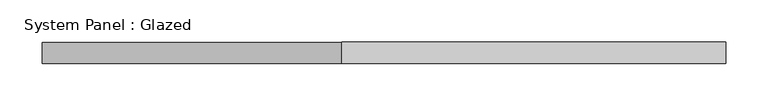
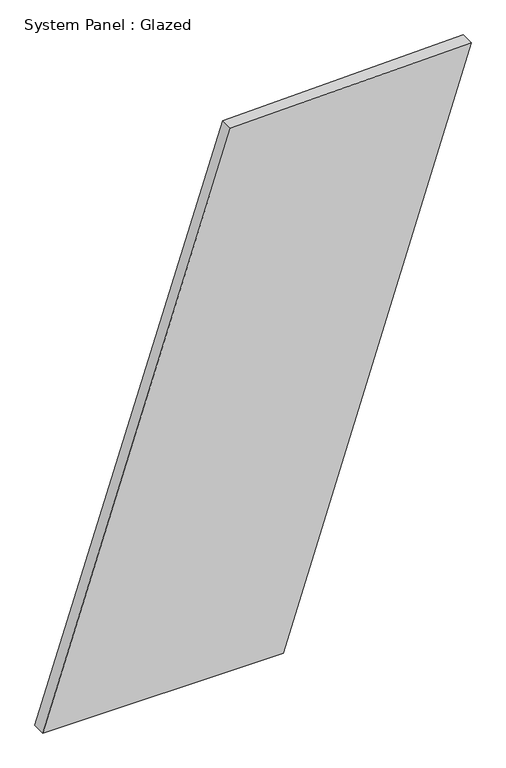
"""IFC4 building model written with IfcOpenShell, lengths in millimetres: plate geometry, System Panel : Glazed."""

from ifc_helpers import new_model, si_unit, frame, origin, place, context, project, spatial, polyline, outline, extrude, source, transform, mapped, element, save


def system_panel_glazed_338468a3(model_context):
    return source(origin(), model_context, "Body", "SweptSolid", [
        extrude(outline(polyline([(0.0, -402.9707675), (0.0, 49.2706635), (1091.0952141, 402.9707675), (1079.2045489, -49.7104127), (0.0, -402.9707675)])), frame((0.0, -49.5, 0.0), z_axis=(0.0, 1.0, 0.0), x_axis=(0.0, 0.0, 1.0)), (0.0, 0.0, 1.0), 25.0),
    ])


if __name__ == "__main__":
    model = new_model("IFC4")
    model_context = context("Model", 3, world=origin())
    ifc_project = project(units=[si_unit("LENGTHUNIT", "METRE", prefix="MILLI")], contexts=[model_context])
    site = spatial("IfcSite", under=ifc_project)
    building = spatial("IfcBuilding", under=site)
    placement = place(None, origin())
    system_panel_glazed_shape = system_panel_glazed_338468a3(model_context)
    element("IfcPlate", 1, ObjectType="System Panel : Glazed", at=placement, inside=building, context=model_context, shape_type="MappedRepresentation", body=[
        mapped(system_panel_glazed_shape, transform((0.0, 0.0, 0.0), x_axis=(1.0, 0.0, 0.0), y_axis=(0.0, 1.0, 0.0), z_axis=(0.0, 0.0, 1.0))),
    ])
    save(model, "model.ifc")
